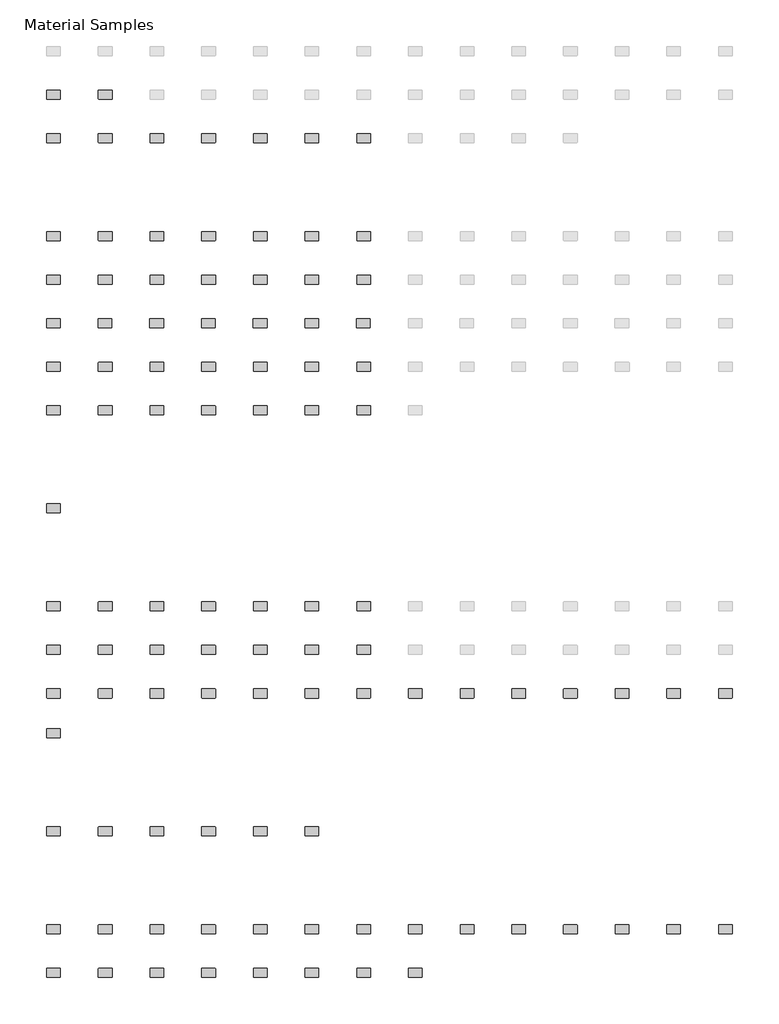
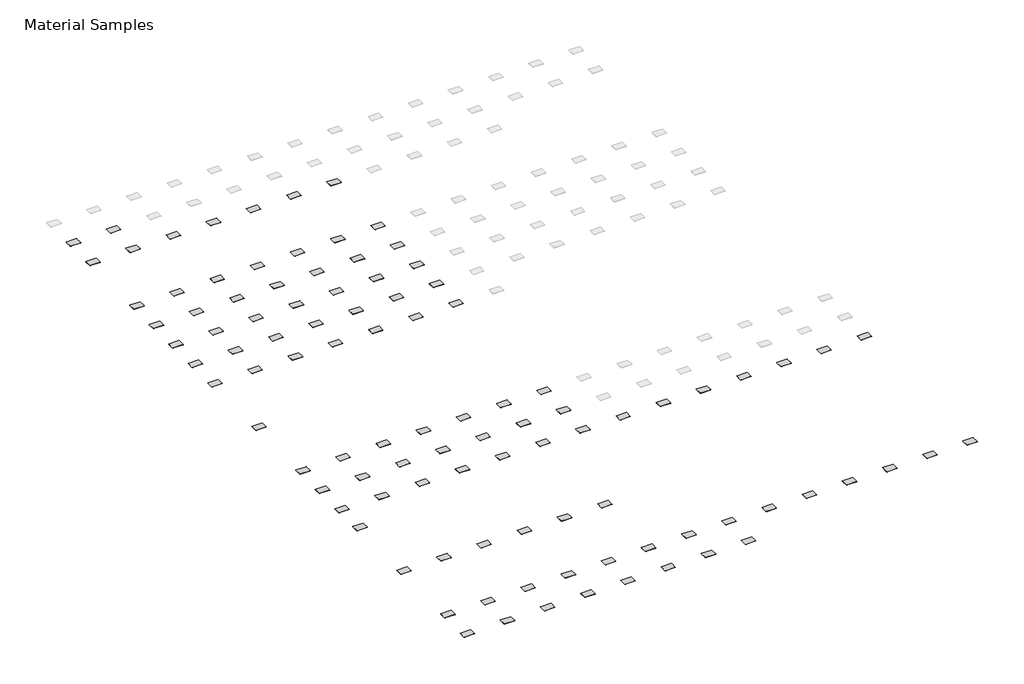
# One storey, part 1 of 3: 102 furniture elements.
"""IFC4 building model written with IfcOpenShell, lengths in millimetres."""

import ifcopenshell
import ifcopenshell.guid

model = None  # the IFC model being written
_history = None  # IfcOwnerHistory: only IFC2X3 demands one
_inside = {}  # id of a spatial element -> (the spatial element, [elements in it])
_under = {}  # id of a project, library or spatial element -> (it, [spatial elements below it])
_declared = {}  # id of a project -> (the project, [libraries it declares])
_typed = {}  # id of a type object -> (the type object, [elements of that type])
_made_of = {}  # id of a material, layer set ... -> (it, [elements and type objects made of it])


def new_model(schema):
    """Start an empty IFC model of exactly this schema.

    Asked for "IFC4X3", IfcOpenShell would pick the latest addendum, in which some entities
    have other attributes; the version numbers below select the first issue.
    IFC2X3 requires an IfcOwnerHistory on every rooted entity: one is made here for all.
    """
    global model, _history
    if schema == "IFC4X3":
        model = ifcopenshell.file(schema_version=(4, 3, 0, 0))
    else:
        model = ifcopenshell.file(schema=schema)
    _inside.clear()
    _under.clear()
    _declared.clear()
    _typed.clear()
    _made_of.clear()
    _history = None
    if model.schema == "IFC2X3":
        org = make("IfcOrganization", Name="unknown")
        user = make(
            "IfcPersonAndOrganization",
            ThePerson=make("IfcPerson", FamilyName="unknown"),
            TheOrganization=org,
        )
        app = make(
            "IfcApplication",
            ApplicationDeveloper=org,
            Version="unknown",
            ApplicationFullName="unknown",
            ApplicationIdentifier="unknown",
        )
        _history = make(
            "IfcOwnerHistory",
            OwningUser=user,
            OwningApplication=app,
            ChangeAction="ADDED",
            CreationDate=0,
        )
    return model


def make(cls, **values):
    """One entity of the class cls with the attributes given. An attribute that is None is left unset."""
    return model.create_entity(
        cls, **{name: value for name, value in values.items() if value is not None}
    )


def rooted(cls, **values):
    """An entity with a GlobalId (a new one), such as an element, a storey or a relation."""
    return make(cls, GlobalId=ifcopenshell.guid.new(), OwnerHistory=_history, **values)


def si_unit(unit_type, name, prefix=None):
    """IfcSIUnit, for example si_unit("LENGTHUNIT", "METRE", prefix="MILLI")."""
    return make("IfcSIUnit", UnitType=unit_type, Prefix=prefix, Name=name)


def assignment(units):
    """IfcUnitAssignment: the units of a project."""
    return None if units is None else make("IfcUnitAssignment", Units=units)


def point(xyz):
    """IfcCartesianPoint."""
    return None if xyz is None else make("IfcCartesianPoint", Coordinates=xyz)


def direction(xyz):
    """IfcDirection."""
    return None if xyz is None else make("IfcDirection", DirectionRatios=xyz)


def frame(location, z_axis=None, x_axis=None):
    """IfcAxis2Placement3D, a coordinate frame: its origin and axes. An axis left out is left unset."""
    return make(
        "IfcAxis2Placement3D",
        Location=point(location),
        Axis=direction(z_axis),
        RefDirection=direction(x_axis),
    )


def frame_2d(location, x_axis=None):
    """IfcAxis2Placement2D, a coordinate frame in the plane: its origin and x axis."""
    return make(
        "IfcAxis2Placement2D", Location=point(location), RefDirection=direction(x_axis)
    )


def origin():
    """The frame at (0, 0, 0) with its axes left unset."""
    return frame((0.0, 0.0, 0.0))


def place(relative_to, where):
    """IfcLocalPlacement: puts the frame where relative to a parent placement (None: the world)."""
    return make(
        "IfcLocalPlacement", PlacementRelTo=relative_to, RelativePlacement=where
    )


def context(
    kind, dimensions, precision=None, world=None, true_north=None, identifier=None
):
    """IfcGeometricRepresentationContext, for example the 3D "Model" context."""
    return make(
        "IfcGeometricRepresentationContext",
        ContextIdentifier=identifier,
        ContextType=kind,
        CoordinateSpaceDimension=dimensions,
        Precision=precision,
        WorldCoordinateSystem=world,
        TrueNorth=true_north,
    )


def project(units=None, contexts=None):
    """IfcProject with its units and contexts."""
    return rooted(
        "IfcProject",
        Name="project",
        RepresentationContexts=contexts,
        UnitsInContext=assignment(units),
    )


def spatial(cls, under=None, at=None, **own):
    """A site, building, storey or space (cls), placed at a placement, below another one or the project."""
    s = rooted(cls, ObjectPlacement=at, **own)
    if under is not None:
        _under.setdefault(under.id(), (under, []))[1].append(s)
    return s


def polyline(points):
    """IfcPolyline through the points."""
    return make("IfcPolyline", Points=[point(p) for p in points])


def circle_curve(where, radius):
    """IfcCircle in the frame where."""
    return make("IfcCircle", Position=where, Radius=radius)


def trimmed(basis, trim1, trim2, sense, master):
    """IfcTrimmedCurve: the piece of a basis curve between two trims."""
    return make(
        "IfcTrimmedCurve",
        BasisCurve=basis,
        Trim1=trim1,
        Trim2=trim2,
        SenseAgreement=sense,
        MasterRepresentation=master,
    )


def segment(curve, same_sense, transition):
    """IfcCompositeCurveSegment."""
    return make(
        "IfcCompositeCurveSegment",
        Transition=transition,
        SameSense=same_sense,
        ParentCurve=curve,
    )


def composite_curve(segments, self_intersect=None):
    """IfcCompositeCurve: segments joined end to end."""
    return make("IfcCompositeCurve", Segments=segments, SelfIntersect=self_intersect)


def outline(outer, holes=None, kind="AREA"):
    """IfcArbitraryClosedProfileDef: a profile drawn as a closed curve; with holes, ...WithVoids."""
    if holes is None:
        return make("IfcArbitraryClosedProfileDef", ProfileType=kind, OuterCurve=outer)
    return make(
        "IfcArbitraryProfileDefWithVoids",
        ProfileType=kind,
        OuterCurve=outer,
        InnerCurves=holes,
    )


def extrude(swept, where, along, depth):
    """IfcExtrudedAreaSolid: the profile swept, set in the frame where, extruded along a direction by depth."""
    return make(
        "IfcExtrudedAreaSolid",
        SweptArea=swept,
        Position=where,
        ExtrudedDirection=direction(along),
        Depth=depth,
    )


def shape(context_of_items, identifier, shape_type, items):
    """IfcShapeRepresentation: the items that make up one representation, for example the "Body"."""
    return make(
        "IfcShapeRepresentation",
        ContextOfItems=context_of_items,
        RepresentationIdentifier=identifier,
        RepresentationType=shape_type,
        Items=items,
    )


def source(mapping_origin, context_of_items, identifier, shape_type, items):
    """IfcRepresentationMap: a shape defined once, which mapped items show again and again."""
    return make(
        "IfcRepresentationMap",
        MappingOrigin=mapping_origin,
        MappedRepresentation=shape(context_of_items, identifier, shape_type, items),
    )


def transform(
    local_origin,
    x_axis=None,
    y_axis=None,
    z_axis=None,
    scale=None,
    scale2=None,
    scale3=None,
    uniform=True,
):
    """IfcCartesianTransformationOperator3D, or its non-uniform kind. x_axis, y_axis, z_axis: its Axis1, 2, 3."""
    if uniform:
        return make(
            "IfcCartesianTransformationOperator3D",
            Axis1=direction(x_axis),
            Axis2=direction(y_axis),
            LocalOrigin=point(local_origin),
            Scale=scale,
            Axis3=direction(z_axis),
        )
    return make(
        "IfcCartesianTransformationOperator3DnonUniform",
        Axis1=direction(x_axis),
        Axis2=direction(y_axis),
        LocalOrigin=point(local_origin),
        Scale=scale,
        Axis3=direction(z_axis),
        Scale2=scale2,
        Scale3=scale3,
    )


def mapped(mapping_source, mapping_target):
    """IfcMappedItem: shows the shape of a source again, moved by a transform."""
    return make(
        "IfcMappedItem", MappingSource=mapping_source, MappingTarget=mapping_target
    )


def made_of(thing, what):
    """Note that an element or type object is made of a material, layer set ...; save() writes the relation."""
    if what is not None:
        _made_of.setdefault(what.id(), (what, []))[1].append(thing)
    return thing


def element(
    cls,
    number,
    at=None,
    inside=None,
    cuts=None,
    type_object=None,
    material=None,
    context=None,
    identifier="Body",
    shape_type=None,
    held_by="IfcProductDefinitionShape",
    body=None,
    shapes=None,
    **own,
):
    """One element of the class cls, such as IfcWall. Its Tag is "e" and its number.

    at: its placement. inside: the storey or other place that contains it. cuts: it is an
    opening in that element (IfcRelVoidsElement). A single representation is given by context,
    identifier, shape_type and body (its items); several are given by shapes. held_by: the class
    of the entity that holds the representations. save() writes the other relations.
    """
    e = rooted(cls, Tag="e%d" % number, ObjectPlacement=at, **own)
    if body is not None:
        shapes = [shape(context, identifier, shape_type, body)]
    if shapes is not None:
        e.Representation = make(held_by, Representations=shapes)
    if inside is not None:
        _inside.setdefault(inside.id(), (inside, []))[1].append(e)
    if cuts is not None:
        rooted(
            "IfcRelVoidsElement", RelatingBuildingElement=cuts, RelatedOpeningElement=e
        )
    if type_object is not None:
        _typed.setdefault(type_object.id(), (type_object, []))[1].append(e)
    return made_of(e, material)


def aggregate(whole, parts):
    """IfcRelAggregates: a whole, such as a stair, and the parts it consists of."""
    return rooted("IfcRelAggregates", RelatingObject=whole, RelatedObjects=parts)


def save(model, path):
    """Write the relations noted so far, then the file.

    IfcRelAggregates (storeys below a building ...), IfcRelContainedInSpatialStructure (elements
    in a storey), IfcRelDefinesByType, IfcRelAssociatesMaterial and IfcRelDeclares: one each for
    every whole, place, type object, material and project.
    """
    for whole, parts in _under.values():
        aggregate(whole, parts)
    for where, things in _inside.values():
        rooted(
            "IfcRelContainedInSpatialStructure",
            RelatedElements=things,
            RelatingStructure=where,
        )
    for kind, things in _typed.values():
        rooted("IfcRelDefinesByType", RelatedObjects=things, RelatingType=kind)
    for what, things in _made_of.values():
        rooted("IfcRelAssociatesMaterial", RelatedObjects=things, RelatingMaterial=what)
    for by, libraries in _declared.values():
        rooted("IfcRelDeclares", RelatingContext=by, RelatedDefinitions=libraries)
    model.write(path)


def furniture_2008_material_sample1_2x3x1_8_96bf408c(model_context):
    return source(origin(), model_context, "Body", "SweptSolid", [
        extrude(outline(composite_curve([segment(trimmed(circle_curve(frame_2d((21215.2392185, 10811.8982463)), 6.35), [point((21215.2392185, 10818.2482463))], [point((21221.5892185, 10811.8982463))], False, "CARTESIAN"), True, "CONTINUOUS"), segment(polyline([(21221.5892185, 10811.8982463), (21221.5892185, 10570.5982463)]), True, "CONTINUOUS"), segment(trimmed(circle_curve(frame_2d((21215.2392185, 10570.5982463)), 6.35), [point((21221.5892185, 10570.5982463))], [point((21215.2392185, 10564.2482463))], False, "CARTESIAN"), True, "CONTINUOUS"), segment(polyline([(21215.2392185, 10564.2482463), (20846.9392185, 10564.2482463)]), True, "CONTINUOUS"), segment(trimmed(circle_curve(frame_2d((20846.9392185, 10570.5982463)), 6.35), [point((20846.9392185, 10564.2482463))], [point((20840.5892185, 10570.5982463))], False, "CARTESIAN"), True, "CONTINUOUS"), segment(polyline([(20840.5892185, 10570.5982463), (20840.5892185, 10811.8982463)]), True, "CONTINUOUS"), segment(trimmed(circle_curve(frame_2d((20846.9392185, 10811.8982463)), 6.35), [point((20840.5892185, 10811.8982463))], [point((20846.9392185, 10818.2482463))], False, "CARTESIAN"), True, "CONTINUOUS"), segment(polyline([(20846.9392185, 10818.2482463), (21215.2392185, 10818.2482463)]), True, "CONTINUOUS")], self_intersect=False)), frame((0.0, 0.0, -3.175), z_axis=(0.0, 0.0, 1.0), x_axis=(1.0, 0.0, 0.0)), (0.0, 0.0, 1.0), 3.175),
    ])


model = new_model("IFC4")

# Units and contexts
model_context = context("Model", 3, world=origin())
ifc_project = project(units=[si_unit("LENGTHUNIT", "METRE", prefix="MILLI")], contexts=[model_context])

# Site, building, storey
site = spatial("IfcSite", under=ifc_project)
building = spatial("IfcBuilding", under=site)
storey = spatial("IfcBuildingStorey", under=building, Name="Material Samples", Elevation=0.0)

# Furniture
placement = place(None, origin())
furniture_2008_material_sample1_2x3x1_8_shape = furniture_2008_material_sample1_2x3x1_8_96bf408c(model_context)
element("IfcFurniture", 1, ObjectType="2008_Material Sample3 : 2x3x1/8", at=placement, inside=storey, context=model_context, shape_type="MappedRepresentation", body=[
    mapped(furniture_2008_material_sample1_2x3x1_8_shape, transform((-41929.8143121, -15659.0275291, 25.4), x_axis=(1.0, 0.0, 0.0), y_axis=(0.0, 1.0, 0.0), z_axis=(0.0, 0.0, 1.0))),
])
element("IfcFurniture", 2, ObjectType="2008_Material Sample3 : 2x3x1/8", at=placement, inside=storey, context=model_context, shape_type="MappedRepresentation", body=[
    mapped(furniture_2008_material_sample1_2x3x1_8_shape, transform((-40482.0143121, -15659.0275291, 25.4), x_axis=(1.0, 0.0, 0.0), y_axis=(0.0, 1.0, 0.0), z_axis=(0.0, 0.0, 1.0))),
])
element("IfcFurniture", 3, ObjectType="2008_Material Sample3 : 2x3x1/8", at=placement, inside=storey, context=model_context, shape_type="MappedRepresentation", body=[
    mapped(furniture_2008_material_sample1_2x3x1_8_shape, transform((-41929.8143121, -16878.2275291, 25.4), x_axis=(1.0, 0.0, 0.0), y_axis=(0.0, 1.0, 0.0), z_axis=(0.0, 0.0, 1.0))),
])
element("IfcFurniture", 4, ObjectType="2008_Material Sample3 : 2x3x1/8", at=placement, inside=storey, context=model_context, shape_type="MappedRepresentation", body=[
    mapped(furniture_2008_material_sample1_2x3x1_8_shape, transform((-40482.0143121, -16878.2275291, 25.4), x_axis=(1.0, 0.0, 0.0), y_axis=(0.0, 1.0, 0.0), z_axis=(0.0, 0.0, 1.0))),
])
element("IfcFurniture", 5, ObjectType="2008_Material Sample3 : 2x3x1/8", at=placement, inside=storey, context=model_context, shape_type="MappedRepresentation", body=[
    mapped(furniture_2008_material_sample1_2x3x1_8_shape, transform((-39034.2143121, -16878.2275291, 25.4), x_axis=(1.0, 0.0, 0.0), y_axis=(0.0, 1.0, 0.0), z_axis=(0.0, 0.0, 1.0))),
])
element("IfcFurniture", 6, ObjectType="2008_Material Sample3 : 2x3x1/8", at=placement, inside=storey, context=model_context, shape_type="MappedRepresentation", body=[
    mapped(furniture_2008_material_sample1_2x3x1_8_shape, transform((-37586.4143121, -16878.2275291, 25.4), x_axis=(1.0, 0.0, 0.0), y_axis=(0.0, 1.0, 0.0), z_axis=(0.0, 0.0, 1.0))),
])
element("IfcFurniture", 7, ObjectType="2008_Material Sample3 : 2x3x1/8", at=placement, inside=storey, context=model_context, shape_type="MappedRepresentation", body=[
    mapped(furniture_2008_material_sample1_2x3x1_8_shape, transform((-36138.6143121, -16878.2275291, 25.4), x_axis=(1.0, 0.0, 0.0), y_axis=(0.0, 1.0, 0.0), z_axis=(0.0, 0.0, 1.0))),
])
element("IfcFurniture", 8, ObjectType="2008_Material Sample3 : 2x3x1/8", at=placement, inside=storey, context=model_context, shape_type="MappedRepresentation", body=[
    mapped(furniture_2008_material_sample1_2x3x1_8_shape, transform((-34690.8143121, -16878.2275291, 25.4), x_axis=(1.0, 0.0, 0.0), y_axis=(0.0, 1.0, 0.0), z_axis=(0.0, 0.0, 1.0))),
])
element("IfcFurniture", 9, ObjectType="2008_Material Sample3 : 2x3x1/8", at=placement, inside=storey, context=model_context, shape_type="MappedRepresentation", body=[
    mapped(furniture_2008_material_sample1_2x3x1_8_shape, transform((-33243.0143121, -16878.2275291, 25.4), x_axis=(1.0, 0.0, 0.0), y_axis=(0.0, 1.0, 0.0), z_axis=(0.0, 0.0, 1.0))),
])
element("IfcFurniture", 10, ObjectType="2008_Material Sample3 : 2x3x1/8", at=placement, inside=storey, context=model_context, shape_type="MappedRepresentation", body=[
    mapped(furniture_2008_material_sample1_2x3x1_8_shape, transform((-41929.8143121, -19621.4275291, 25.4), x_axis=(1.0, 0.0, 0.0), y_axis=(0.0, 1.0, 0.0), z_axis=(0.0, 0.0, 1.0))),
])
element("IfcFurniture", 11, ObjectType="2008_Material Sample3 : 2x3x1/8", at=placement, inside=storey, context=model_context, shape_type="MappedRepresentation", body=[
    mapped(furniture_2008_material_sample1_2x3x1_8_shape, transform((-40482.0143121, -19621.4275291, 25.4), x_axis=(1.0, 0.0, 0.0), y_axis=(0.0, 1.0, 0.0), z_axis=(0.0, 0.0, 1.0))),
])
element("IfcFurniture", 12, ObjectType="2008_Material Sample3 : 2x3x1/8", at=placement, inside=storey, context=model_context, shape_type="MappedRepresentation", body=[
    mapped(furniture_2008_material_sample1_2x3x1_8_shape, transform((-39034.2143121, -19621.4275291, 25.4), x_axis=(1.0, 0.0, 0.0), y_axis=(0.0, 1.0, 0.0), z_axis=(0.0, 0.0, 1.0))),
])
element("IfcFurniture", 13, ObjectType="2008_Material Sample3 : 2x3x1/8", at=placement, inside=storey, context=model_context, shape_type="MappedRepresentation", body=[
    mapped(furniture_2008_material_sample1_2x3x1_8_shape, transform((-37586.4143121, -19621.4275291, 25.4), x_axis=(1.0, 0.0, 0.0), y_axis=(0.0, 1.0, 0.0), z_axis=(0.0, 0.0, 1.0))),
])
element("IfcFurniture", 14, ObjectType="2008_Material Sample3 : 2x3x1/8", at=placement, inside=storey, context=model_context, shape_type="MappedRepresentation", body=[
    mapped(furniture_2008_material_sample1_2x3x1_8_shape, transform((-36138.6143121, -19621.4275291, 25.4), x_axis=(1.0, 0.0, 0.0), y_axis=(0.0, 1.0, 0.0), z_axis=(0.0, 0.0, 1.0))),
])
element("IfcFurniture", 15, ObjectType="2008_Material Sample3 : 2x3x1/8", at=placement, inside=storey, context=model_context, shape_type="MappedRepresentation", body=[
    mapped(furniture_2008_material_sample1_2x3x1_8_shape, transform((-34690.8143121, -19621.4275291, 25.4), x_axis=(1.0, 0.0, 0.0), y_axis=(0.0, 1.0, 0.0), z_axis=(0.0, 0.0, 1.0))),
])
element("IfcFurniture", 16, ObjectType="2008_Material Sample3 : 2x3x1/8", at=placement, inside=storey, context=model_context, shape_type="MappedRepresentation", body=[
    mapped(furniture_2008_material_sample1_2x3x1_8_shape, transform((-33243.0143121, -19621.4275291, 25.4), x_axis=(1.0, 0.0, 0.0), y_axis=(0.0, 1.0, 0.0), z_axis=(0.0, 0.0, 1.0))),
])
element("IfcFurniture", 17, ObjectType="2008_Material Sample3 : 2x3x1/8", at=placement, inside=storey, context=model_context, shape_type="MappedRepresentation", body=[
    mapped(furniture_2008_material_sample1_2x3x1_8_shape, transform((-41929.8143121, -20840.6275291, 25.4), x_axis=(1.0, 0.0, 0.0), y_axis=(0.0, 1.0, 0.0), z_axis=(0.0, 0.0, 1.0))),
])
element("IfcFurniture", 18, ObjectType="2008_Material Sample3 : 2x3x1/8", at=placement, inside=storey, context=model_context, shape_type="MappedRepresentation", body=[
    mapped(furniture_2008_material_sample1_2x3x1_8_shape, transform((-40482.0143121, -20840.6275291, 25.4), x_axis=(1.0, 0.0, 0.0), y_axis=(0.0, 1.0, 0.0), z_axis=(0.0, 0.0, 1.0))),
])
element("IfcFurniture", 19, ObjectType="2008_Material Sample3 : 2x3x1/8", at=placement, inside=storey, context=model_context, shape_type="MappedRepresentation", body=[
    mapped(furniture_2008_material_sample1_2x3x1_8_shape, transform((-39034.2143121, -20840.6275291, 25.4), x_axis=(1.0, 0.0, 0.0), y_axis=(0.0, 1.0, 0.0), z_axis=(0.0, 0.0, 1.0))),
])
element("IfcFurniture", 20, ObjectType="2008_Material Sample3 : 2x3x1/8", at=placement, inside=storey, context=model_context, shape_type="MappedRepresentation", body=[
    mapped(furniture_2008_material_sample1_2x3x1_8_shape, transform((-37586.4143121, -20840.6275291, 25.4), x_axis=(1.0, 0.0, 0.0), y_axis=(0.0, 1.0, 0.0), z_axis=(0.0, 0.0, 1.0))),
])
element("IfcFurniture", 21, ObjectType="2008_Material Sample3 : 2x3x1/8", at=placement, inside=storey, context=model_context, shape_type="MappedRepresentation", body=[
    mapped(furniture_2008_material_sample1_2x3x1_8_shape, transform((-36138.6143121, -20840.6275291, 25.4), x_axis=(1.0, 0.0, 0.0), y_axis=(0.0, 1.0, 0.0), z_axis=(0.0, 0.0, 1.0))),
])
element("IfcFurniture", 22, ObjectType="2008_Material Sample3 : 2x3x1/8", at=placement, inside=storey, context=model_context, shape_type="MappedRepresentation", body=[
    mapped(furniture_2008_material_sample1_2x3x1_8_shape, transform((-34690.8143121, -20840.6275291, 25.4), x_axis=(1.0, 0.0, 0.0), y_axis=(0.0, 1.0, 0.0), z_axis=(0.0, 0.0, 1.0))),
])
element("IfcFurniture", 23, ObjectType="2008_Material Sample3 : 2x3x1/8", at=placement, inside=storey, context=model_context, shape_type="MappedRepresentation", body=[
    mapped(furniture_2008_material_sample1_2x3x1_8_shape, transform((-33243.0143121, -20840.6275291, 25.4), x_axis=(1.0, 0.0, 0.0), y_axis=(0.0, 1.0, 0.0), z_axis=(0.0, 0.0, 1.0))),
])
element("IfcFurniture", 24, ObjectType="2008_Material Sample3 : 2x3x1/8", at=placement, inside=storey, context=model_context, shape_type="MappedRepresentation", body=[
    mapped(furniture_2008_material_sample1_2x3x1_8_shape, transform((-41936.1643121, -22059.8275291, 25.4), x_axis=(1.0, 0.0, 0.0), y_axis=(0.0, 1.0, 0.0), z_axis=(0.0, 0.0, 1.0))),
])
element("IfcFurniture", 25, ObjectType="2008_Material Sample3 : 2x3x1/8", at=placement, inside=storey, context=model_context, shape_type="MappedRepresentation", body=[
    mapped(furniture_2008_material_sample1_2x3x1_8_shape, transform((-40488.3643121, -22059.8275291, 25.4), x_axis=(1.0, 0.0, 0.0), y_axis=(0.0, 1.0, 0.0), z_axis=(0.0, 0.0, 1.0))),
])
element("IfcFurniture", 26, ObjectType="2008_Material Sample3 : 2x3x1/8", at=placement, inside=storey, context=model_context, shape_type="MappedRepresentation", body=[
    mapped(furniture_2008_material_sample1_2x3x1_8_shape, transform((-39040.5643121, -22059.8275291, 25.4), x_axis=(1.0, 0.0, 0.0), y_axis=(0.0, 1.0, 0.0), z_axis=(0.0, 0.0, 1.0))),
])
element("IfcFurniture", 27, ObjectType="2008_Material Sample3 : 2x3x1/8", at=placement, inside=storey, context=model_context, shape_type="MappedRepresentation", body=[
    mapped(furniture_2008_material_sample1_2x3x1_8_shape, transform((-37592.7643121, -22059.8275291, 25.4), x_axis=(1.0, 0.0, 0.0), y_axis=(0.0, 1.0, 0.0), z_axis=(0.0, 0.0, 1.0))),
])
element("IfcFurniture", 28, ObjectType="2008_Material Sample3 : 2x3x1/8", at=placement, inside=storey, context=model_context, shape_type="MappedRepresentation", body=[
    mapped(furniture_2008_material_sample1_2x3x1_8_shape, transform((-36144.9643121, -22059.8275291, 25.4), x_axis=(1.0, 0.0, 0.0), y_axis=(0.0, 1.0, 0.0), z_axis=(0.0, 0.0, 1.0))),
])
element("IfcFurniture", 29, ObjectType="2008_Material Sample3 : 2x3x1/8", at=placement, inside=storey, context=model_context, shape_type="MappedRepresentation", body=[
    mapped(furniture_2008_material_sample1_2x3x1_8_shape, transform((-34697.1643121, -22059.8275291, 25.4), x_axis=(1.0, 0.0, 0.0), y_axis=(0.0, 1.0, 0.0), z_axis=(0.0, 0.0, 1.0))),
])
element("IfcFurniture", 30, ObjectType="2008_Material Sample3 : 2x3x1/8", at=placement, inside=storey, context=model_context, shape_type="MappedRepresentation", body=[
    mapped(furniture_2008_material_sample1_2x3x1_8_shape, transform((-33249.3643121, -22059.8275291, 25.4), x_axis=(1.0, 0.0, 0.0), y_axis=(0.0, 1.0, 0.0), z_axis=(0.0, 0.0, 1.0))),
])
element("IfcFurniture", 31, ObjectType="2008_Material Sample3 : 2x3x1/8", at=placement, inside=storey, context=model_context, shape_type="MappedRepresentation", body=[
    mapped(furniture_2008_material_sample1_2x3x1_8_shape, transform((-41936.2750935, -23279.0275291, 25.4), x_axis=(1.0, 0.0, 0.0), y_axis=(0.0, 1.0, 0.0), z_axis=(0.0, 0.0, 1.0))),
])
element("IfcFurniture", 32, ObjectType="2008_Material Sample3 : 2x3x1/8", at=placement, inside=storey, context=model_context, shape_type="MappedRepresentation", body=[
    mapped(furniture_2008_material_sample1_2x3x1_8_shape, transform((-40482.0143121, -23279.0275291, 25.4), x_axis=(1.0, 0.0, 0.0), y_axis=(0.0, 1.0, 0.0), z_axis=(0.0, 0.0, 1.0))),
])
element("IfcFurniture", 33, ObjectType="2008_Material Sample3 : 2x3x1/8", at=placement, inside=storey, context=model_context, shape_type="MappedRepresentation", body=[
    mapped(furniture_2008_material_sample1_2x3x1_8_shape, transform((-39034.2143121, -23279.0275291, 25.4), x_axis=(1.0, 0.0, 0.0), y_axis=(0.0, 1.0, 0.0), z_axis=(0.0, 0.0, 1.0))),
])
element("IfcFurniture", 34, ObjectType="2008_Material Sample3 : 2x3x1/8", at=placement, inside=storey, context=model_context, shape_type="MappedRepresentation", body=[
    mapped(furniture_2008_material_sample1_2x3x1_8_shape, transform((-37586.4143121, -23279.0275291, 25.4), x_axis=(1.0, 0.0, 0.0), y_axis=(0.0, 1.0, 0.0), z_axis=(0.0, 0.0, 1.0))),
])
element("IfcFurniture", 35, ObjectType="2008_Material Sample3 : 2x3x1/8", at=placement, inside=storey, context=model_context, shape_type="MappedRepresentation", body=[
    mapped(furniture_2008_material_sample1_2x3x1_8_shape, transform((-36138.6143121, -23279.0275291, 25.4), x_axis=(1.0, 0.0, 0.0), y_axis=(0.0, 1.0, 0.0), z_axis=(0.0, 0.0, 1.0))),
])
element("IfcFurniture", 36, ObjectType="2008_Material Sample3 : 2x3x1/8", at=placement, inside=storey, context=model_context, shape_type="MappedRepresentation", body=[
    mapped(furniture_2008_material_sample1_2x3x1_8_shape, transform((-34690.8143121, -23279.0275291, 25.4), x_axis=(1.0, 0.0, 0.0), y_axis=(0.0, 1.0, 0.0), z_axis=(0.0, 0.0, 1.0))),
])
element("IfcFurniture", 37, ObjectType="2008_Material Sample3 : 2x3x1/8", at=placement, inside=storey, context=model_context, shape_type="MappedRepresentation", body=[
    mapped(furniture_2008_material_sample1_2x3x1_8_shape, transform((-33243.0143121, -23279.0275291, 25.4), x_axis=(1.0, 0.0, 0.0), y_axis=(0.0, 1.0, 0.0), z_axis=(0.0, 0.0, 1.0))),
])
element("IfcFurniture", 38, ObjectType="2008_Material Sample3 : 2x3x1/8", at=placement, inside=storey, context=model_context, shape_type="MappedRepresentation", body=[
    mapped(furniture_2008_material_sample1_2x3x1_8_shape, transform((-41929.8143121, -24498.2275291, 25.4), x_axis=(1.0, 0.0, 0.0), y_axis=(0.0, 1.0, 0.0), z_axis=(0.0, 0.0, 1.0))),
])
element("IfcFurniture", 39, ObjectType="2008_Material Sample3 : 2x3x1/8", at=placement, inside=storey, context=model_context, shape_type="MappedRepresentation", body=[
    mapped(furniture_2008_material_sample1_2x3x1_8_shape, transform((-40482.0143121, -24498.2275291, 25.4), x_axis=(1.0, 0.0, 0.0), y_axis=(0.0, 1.0, 0.0), z_axis=(0.0, 0.0, 1.0))),
])
element("IfcFurniture", 40, ObjectType="2008_Material Sample3 : 2x3x1/8", at=placement, inside=storey, context=model_context, shape_type="MappedRepresentation", body=[
    mapped(furniture_2008_material_sample1_2x3x1_8_shape, transform((-39034.2143121, -24498.2275291, 25.4), x_axis=(1.0, 0.0, 0.0), y_axis=(0.0, 1.0, 0.0), z_axis=(0.0, 0.0, 1.0))),
])
element("IfcFurniture", 41, ObjectType="2008_Material Sample3 : 2x3x1/8", at=placement, inside=storey, context=model_context, shape_type="MappedRepresentation", body=[
    mapped(furniture_2008_material_sample1_2x3x1_8_shape, transform((-37586.4143121, -24498.2275291, 25.4), x_axis=(1.0, 0.0, 0.0), y_axis=(0.0, 1.0, 0.0), z_axis=(0.0, 0.0, 1.0))),
])
element("IfcFurniture", 42, ObjectType="2008_Material Sample3 : 2x3x1/8", at=placement, inside=storey, context=model_context, shape_type="MappedRepresentation", body=[
    mapped(furniture_2008_material_sample1_2x3x1_8_shape, transform((-36138.6143121, -24498.2275291, 25.4), x_axis=(1.0, 0.0, 0.0), y_axis=(0.0, 1.0, 0.0), z_axis=(0.0, 0.0, 1.0))),
])
element("IfcFurniture", 43, ObjectType="2008_Material Sample3 : 2x3x1/8", at=placement, inside=storey, context=model_context, shape_type="MappedRepresentation", body=[
    mapped(furniture_2008_material_sample1_2x3x1_8_shape, transform((-34690.8143121, -24498.2275291, 25.4), x_axis=(1.0, 0.0, 0.0), y_axis=(0.0, 1.0, 0.0), z_axis=(0.0, 0.0, 1.0))),
])
element("IfcFurniture", 44, ObjectType="2008_Material Sample3 : 2x3x1/8", at=placement, inside=storey, context=model_context, shape_type="MappedRepresentation", body=[
    mapped(furniture_2008_material_sample1_2x3x1_8_shape, transform((-33243.0143121, -24498.2275291, 25.4), x_axis=(1.0, 0.0, 0.0), y_axis=(0.0, 1.0, 0.0), z_axis=(0.0, 0.0, 1.0))),
])
element("IfcFurniture", 45, ObjectType="2008_Material Sample3 : 2x3x1/8", at=placement, inside=storey, context=model_context, shape_type="MappedRepresentation", body=[
    mapped(furniture_2008_material_sample1_2x3x1_8_shape, transform((-41929.8143121, -29984.6275291, 25.4), x_axis=(1.0, 0.0, 0.0), y_axis=(0.0, 1.0, 0.0), z_axis=(0.0, 0.0, 1.0))),
])
element("IfcFurniture", 46, ObjectType="2008_Material Sample3 : 2x3x1/8", at=placement, inside=storey, context=model_context, shape_type="MappedRepresentation", body=[
    mapped(furniture_2008_material_sample1_2x3x1_8_shape, transform((-40482.0143121, -29984.6275291, 25.4), x_axis=(1.0, 0.0, 0.0), y_axis=(0.0, 1.0, 0.0), z_axis=(0.0, 0.0, 1.0))),
])
element("IfcFurniture", 47, ObjectType="2008_Material Sample3 : 2x3x1/8", at=placement, inside=storey, context=model_context, shape_type="MappedRepresentation", body=[
    mapped(furniture_2008_material_sample1_2x3x1_8_shape, transform((-39034.2143121, -29984.6275291, 25.4), x_axis=(1.0, 0.0, 0.0), y_axis=(0.0, 1.0, 0.0), z_axis=(0.0, 0.0, 1.0))),
])
element("IfcFurniture", 48, ObjectType="2008_Material Sample3 : 2x3x1/8", at=placement, inside=storey, context=model_context, shape_type="MappedRepresentation", body=[
    mapped(furniture_2008_material_sample1_2x3x1_8_shape, transform((-37586.4143121, -29984.6275291, 25.4), x_axis=(1.0, 0.0, 0.0), y_axis=(0.0, 1.0, 0.0), z_axis=(0.0, 0.0, 1.0))),
])
element("IfcFurniture", 49, ObjectType="2008_Material Sample3 : 2x3x1/8", at=placement, inside=storey, context=model_context, shape_type="MappedRepresentation", body=[
    mapped(furniture_2008_material_sample1_2x3x1_8_shape, transform((-36138.6143121, -29984.6275291, 25.4), x_axis=(1.0, 0.0, 0.0), y_axis=(0.0, 1.0, 0.0), z_axis=(0.0, 0.0, 1.0))),
])
element("IfcFurniture", 50, ObjectType="2008_Material Sample3 : 2x3x1/8", at=placement, inside=storey, context=model_context, shape_type="MappedRepresentation", body=[
    mapped(furniture_2008_material_sample1_2x3x1_8_shape, transform((-34690.8143121, -29984.6275291, 25.4), x_axis=(1.0, 0.0, 0.0), y_axis=(0.0, 1.0, 0.0), z_axis=(0.0, 0.0, 1.0))),
])
element("IfcFurniture", 51, ObjectType="2008_Material Sample3 : 2x3x1/8", at=placement, inside=storey, context=model_context, shape_type="MappedRepresentation", body=[
    mapped(furniture_2008_material_sample1_2x3x1_8_shape, transform((-33243.0143121, -29984.6275291, 25.4), x_axis=(1.0, 0.0, 0.0), y_axis=(0.0, 1.0, 0.0), z_axis=(0.0, 0.0, 1.0))),
])
element("IfcFurniture", 52, ObjectType="2008_Material Sample3 : 2x3x1/8", at=placement, inside=storey, context=model_context, shape_type="MappedRepresentation", body=[
    mapped(furniture_2008_material_sample1_2x3x1_8_shape, transform((-41929.8143121, -31203.8275291, 25.4), x_axis=(1.0, 0.0, 0.0), y_axis=(0.0, 1.0, 0.0), z_axis=(0.0, 0.0, 1.0))),
])
element("IfcFurniture", 53, ObjectType="2008_Material Sample3 : 2x3x1/8", at=placement, inside=storey, context=model_context, shape_type="MappedRepresentation", body=[
    mapped(furniture_2008_material_sample1_2x3x1_8_shape, transform((-40482.0143121, -31203.8275291, 25.4), x_axis=(1.0, 0.0, 0.0), y_axis=(0.0, 1.0, 0.0), z_axis=(0.0, 0.0, 1.0))),
])
element("IfcFurniture", 54, ObjectType="2008_Material Sample3 : 2x3x1/8", at=placement, inside=storey, context=model_context, shape_type="MappedRepresentation", body=[
    mapped(furniture_2008_material_sample1_2x3x1_8_shape, transform((-39034.2143121, -31203.8275291, 25.4), x_axis=(1.0, 0.0, 0.0), y_axis=(0.0, 1.0, 0.0), z_axis=(0.0, 0.0, 1.0))),
])
element("IfcFurniture", 55, ObjectType="2008_Material Sample3 : 2x3x1/8", at=placement, inside=storey, context=model_context, shape_type="MappedRepresentation", body=[
    mapped(furniture_2008_material_sample1_2x3x1_8_shape, transform((-37586.4143121, -31203.8275291, 25.4), x_axis=(1.0, 0.0, 0.0), y_axis=(0.0, 1.0, 0.0), z_axis=(0.0, 0.0, 1.0))),
])
element("IfcFurniture", 56, ObjectType="2008_Material Sample3 : 2x3x1/8", at=placement, inside=storey, context=model_context, shape_type="MappedRepresentation", body=[
    mapped(furniture_2008_material_sample1_2x3x1_8_shape, transform((-36138.6143121, -31203.8275291, 25.4), x_axis=(1.0, 0.0, 0.0), y_axis=(0.0, 1.0, 0.0), z_axis=(0.0, 0.0, 1.0))),
])
element("IfcFurniture", 57, ObjectType="2008_Material Sample3 : 2x3x1/8", at=placement, inside=storey, context=model_context, shape_type="MappedRepresentation", body=[
    mapped(furniture_2008_material_sample1_2x3x1_8_shape, transform((-34690.8143121, -31203.8275291, 25.4), x_axis=(1.0, 0.0, 0.0), y_axis=(0.0, 1.0, 0.0), z_axis=(0.0, 0.0, 1.0))),
])
element("IfcFurniture", 58, ObjectType="2008_Material Sample3 : 2x3x1/8", at=placement, inside=storey, context=model_context, shape_type="MappedRepresentation", body=[
    mapped(furniture_2008_material_sample1_2x3x1_8_shape, transform((-33243.0143121, -31203.8275291, 25.4), x_axis=(1.0, 0.0, 0.0), y_axis=(0.0, 1.0, 0.0), z_axis=(0.0, 0.0, 1.0))),
])
element("IfcFurniture", 59, ObjectType="2008_Material Sample3 : 2x3x1/8", at=placement, inside=storey, context=model_context, shape_type="MappedRepresentation", body=[
    mapped(furniture_2008_material_sample1_2x3x1_8_shape, transform((-40481.9035306, -32423.0275291, 25.4), x_axis=(1.0, 0.0, 0.0), y_axis=(0.0, 1.0, 0.0), z_axis=(0.0, 0.0, 1.0))),
])
element("IfcFurniture", 60, ObjectType="2008_Material Sample3 : 2x3x1/8", at=placement, inside=storey, context=model_context, shape_type="MappedRepresentation", body=[
    mapped(furniture_2008_material_sample1_2x3x1_8_shape, transform((-39034.1035306, -32423.0275291, 25.4), x_axis=(1.0, 0.0, 0.0), y_axis=(0.0, 1.0, 0.0), z_axis=(0.0, 0.0, 1.0))),
])
element("IfcFurniture", 61, ObjectType="2008_Material Sample3 : 2x3x1/8", at=placement, inside=storey, context=model_context, shape_type="MappedRepresentation", body=[
    mapped(furniture_2008_material_sample1_2x3x1_8_shape, transform((-37586.3035306, -32423.0275291, 25.4), x_axis=(1.0, 0.0, 0.0), y_axis=(0.0, 1.0, 0.0), z_axis=(0.0, 0.0, 1.0))),
])
element("IfcFurniture", 62, ObjectType="2008_Material Sample3 : 2x3x1/8", at=placement, inside=storey, context=model_context, shape_type="MappedRepresentation", body=[
    mapped(furniture_2008_material_sample1_2x3x1_8_shape, transform((-36138.5035306, -32423.0275291, 25.4), x_axis=(1.0, 0.0, 0.0), y_axis=(0.0, 1.0, 0.0), z_axis=(0.0, 0.0, 1.0))),
])
element("IfcFurniture", 63, ObjectType="2008_Material Sample3 : 2x3x1/8", at=placement, inside=storey, context=model_context, shape_type="MappedRepresentation", body=[
    mapped(furniture_2008_material_sample1_2x3x1_8_shape, transform((-34690.7035306, -32423.0275291, 25.4), x_axis=(1.0, 0.0, 0.0), y_axis=(0.0, 1.0, 0.0), z_axis=(0.0, 0.0, 1.0))),
])
element("IfcFurniture", 64, ObjectType="2008_Material Sample3 : 2x3x1/8", at=placement, inside=storey, context=model_context, shape_type="MappedRepresentation", body=[
    mapped(furniture_2008_material_sample1_2x3x1_8_shape, transform((-33242.9035306, -32423.0275291, 25.4), x_axis=(1.0, 0.0, 0.0), y_axis=(0.0, 1.0, 0.0), z_axis=(0.0, 0.0, 1.0))),
])
element("IfcFurniture", 65, ObjectType="2008_Material Sample3 : 2x3x1/8", at=placement, inside=storey, context=model_context, shape_type="MappedRepresentation", body=[
    mapped(furniture_2008_material_sample1_2x3x1_8_shape, transform((-31795.1035306, -32423.0275291, 25.4), x_axis=(1.0, 0.0, 0.0), y_axis=(0.0, 1.0, 0.0), z_axis=(0.0, 0.0, 1.0))),
])
element("IfcFurniture", 66, ObjectType="2008_Material Sample3 : 2x3x1/8", at=placement, inside=storey, context=model_context, shape_type="MappedRepresentation", body=[
    mapped(furniture_2008_material_sample1_2x3x1_8_shape, transform((-30347.3035306, -32423.0275291, 25.4), x_axis=(1.0, 0.0, 0.0), y_axis=(0.0, 1.0, 0.0), z_axis=(0.0, 0.0, 1.0))),
])
element("IfcFurniture", 67, ObjectType="2008_Material Sample3 : 2x3x1/8", at=placement, inside=storey, context=model_context, shape_type="MappedRepresentation", body=[
    mapped(furniture_2008_material_sample1_2x3x1_8_shape, transform((-28899.5035306, -32423.0275291, 25.4), x_axis=(1.0, 0.0, 0.0), y_axis=(0.0, 1.0, 0.0), z_axis=(0.0, 0.0, 1.0))),
])
element("IfcFurniture", 68, ObjectType="2008_Material Sample3 : 2x3x1/8", at=placement, inside=storey, context=model_context, shape_type="MappedRepresentation", body=[
    mapped(furniture_2008_material_sample1_2x3x1_8_shape, transform((-27451.7035306, -32423.0275291, 25.4), x_axis=(1.0, 0.0, 0.0), y_axis=(0.0, 1.0, 0.0), z_axis=(0.0, 0.0, 1.0))),
])
element("IfcFurniture", 69, ObjectType="2008_Material Sample3 : 2x3x1/8", at=placement, inside=storey, context=model_context, shape_type="MappedRepresentation", body=[
    mapped(furniture_2008_material_sample1_2x3x1_8_shape, transform((-26003.9035306, -32423.0275291, 25.4), x_axis=(1.0, 0.0, 0.0), y_axis=(0.0, 1.0, 0.0), z_axis=(0.0, 0.0, 1.0))),
])
element("IfcFurniture", 70, ObjectType="2008_Material Sample3 : 2x3x1/8", at=placement, inside=storey, context=model_context, shape_type="MappedRepresentation", body=[
    mapped(furniture_2008_material_sample1_2x3x1_8_shape, transform((-24556.1035306, -32423.0275291, 25.4), x_axis=(1.0, 0.0, 0.0), y_axis=(0.0, 1.0, 0.0), z_axis=(0.0, 0.0, 1.0))),
])
element("IfcFurniture", 71, ObjectType="2008_Material Sample3 : 2x3x1/8", at=placement, inside=storey, context=model_context, shape_type="MappedRepresentation", body=[
    mapped(furniture_2008_material_sample1_2x3x1_8_shape, transform((-23108.3035306, -32423.0275291, 25.4), x_axis=(1.0, 0.0, 0.0), y_axis=(0.0, 1.0, 0.0), z_axis=(0.0, 0.0, 1.0))),
])
element("IfcFurniture", 72, ObjectType="2008_Material Sample3 : 2x3x1/8", at=placement, inside=storey, context=model_context, shape_type="MappedRepresentation", body=[
    mapped(furniture_2008_material_sample1_2x3x1_8_shape, transform((-41929.7035306, -32423.0275291, 25.4), x_axis=(1.0, 0.0, 0.0), y_axis=(0.0, 1.0, 0.0), z_axis=(0.0, 0.0, 1.0))),
])
element("IfcFurniture", 73, ObjectType="2008_Material Sample3 : 2x3x1/8", at=placement, inside=storey, context=model_context, shape_type="MappedRepresentation", body=[
    mapped(furniture_2008_material_sample1_2x3x1_8_shape, transform((-41929.8143121, -27241.4275291, 25.4), x_axis=(1.0, 0.0, 0.0), y_axis=(0.0, 1.0, 0.0), z_axis=(0.0, 0.0, 1.0))),
])
element("IfcFurniture", 74, ObjectType="2008_Material Sample4 : 2x3x1/8", at=placement, inside=storey, context=model_context, shape_type="MappedRepresentation", body=[
    mapped(furniture_2008_material_sample1_2x3x1_8_shape, transform((-41929.7035306, -33540.6275291, 25.4), x_axis=(1.0, 0.0, 0.0), y_axis=(0.0, 1.0, 0.0), z_axis=(0.0, 0.0, 1.0))),
])
element("IfcFurniture", 75, ObjectType="2008_Material Sample4 : 2x3x1/8", at=placement, inside=storey, context=model_context, shape_type="MappedRepresentation", body=[
    mapped(furniture_2008_material_sample1_2x3x1_8_shape, transform((-41929.7035306, -36283.8275291, 25.4), x_axis=(1.0, 0.0, 0.0), y_axis=(0.0, 1.0, 0.0), z_axis=(0.0, 0.0, 1.0))),
])
element("IfcFurniture", 76, ObjectType="2008_Material Sample4 : 2x3x1/8", at=placement, inside=storey, context=model_context, shape_type="MappedRepresentation", body=[
    mapped(furniture_2008_material_sample1_2x3x1_8_shape, transform((-40481.9035306, -36283.8275291, 25.4), x_axis=(1.0, 0.0, 0.0), y_axis=(0.0, 1.0, 0.0), z_axis=(0.0, 0.0, 1.0))),
])
element("IfcFurniture", 77, ObjectType="2008_Material Sample4 : 2x3x1/8", at=placement, inside=storey, context=model_context, shape_type="MappedRepresentation", body=[
    mapped(furniture_2008_material_sample1_2x3x1_8_shape, transform((-39034.1035306, -36283.8275291, 25.4), x_axis=(1.0, 0.0, 0.0), y_axis=(0.0, 1.0, 0.0), z_axis=(0.0, 0.0, 1.0))),
])
element("IfcFurniture", 78, ObjectType="2008_Material Sample4 : 2x3x1/8", at=placement, inside=storey, context=model_context, shape_type="MappedRepresentation", body=[
    mapped(furniture_2008_material_sample1_2x3x1_8_shape, transform((-37586.3035306, -36283.8275291, 25.4), x_axis=(1.0, 0.0, 0.0), y_axis=(0.0, 1.0, 0.0), z_axis=(0.0, 0.0, 1.0))),
])
element("IfcFurniture", 79, ObjectType="2008_Material Sample4 : 2x3x1/8", at=placement, inside=storey, context=model_context, shape_type="MappedRepresentation", body=[
    mapped(furniture_2008_material_sample1_2x3x1_8_shape, transform((-36138.5035306, -36283.8275291, 25.4), x_axis=(1.0, 0.0, 0.0), y_axis=(0.0, 1.0, 0.0), z_axis=(0.0, 0.0, 1.0))),
])
element("IfcFurniture", 80, ObjectType="2008_Material Sample4 : 2x3x1/8", at=placement, inside=storey, context=model_context, shape_type="MappedRepresentation", body=[
    mapped(furniture_2008_material_sample1_2x3x1_8_shape, transform((-34690.7035306, -36283.8275291, 25.4), x_axis=(1.0, 0.0, 0.0), y_axis=(0.0, 1.0, 0.0), z_axis=(0.0, 0.0, 1.0))),
])
element("IfcFurniture", 81, ObjectType="2008_Material Sample4 : 2x3x1/8", at=placement, inside=storey, context=model_context, shape_type="MappedRepresentation", body=[
    mapped(furniture_2008_material_sample1_2x3x1_8_shape, transform((-41929.7035306, -39027.0275291, 25.4), x_axis=(1.0, 0.0, 0.0), y_axis=(0.0, 1.0, 0.0), z_axis=(0.0, 0.0, 1.0))),
])
element("IfcFurniture", 82, ObjectType="2008_Material Sample4 : 2x3x1/8", at=placement, inside=storey, context=model_context, shape_type="MappedRepresentation", body=[
    mapped(furniture_2008_material_sample1_2x3x1_8_shape, transform((-40481.9035306, -39027.0275291, 25.4), x_axis=(1.0, 0.0, 0.0), y_axis=(0.0, 1.0, 0.0), z_axis=(0.0, 0.0, 1.0))),
])
element("IfcFurniture", 83, ObjectType="2008_Material Sample4 : 2x3x1/8", at=placement, inside=storey, context=model_context, shape_type="MappedRepresentation", body=[
    mapped(furniture_2008_material_sample1_2x3x1_8_shape, transform((-39034.1035306, -39027.0275291, 25.4), x_axis=(1.0, 0.0, 0.0), y_axis=(0.0, 1.0, 0.0), z_axis=(0.0, 0.0, 1.0))),
])
element("IfcFurniture", 84, ObjectType="2008_Material Sample4 : 2x3x1/8", at=placement, inside=storey, context=model_context, shape_type="MappedRepresentation", body=[
    mapped(furniture_2008_material_sample1_2x3x1_8_shape, transform((-37586.3035306, -39027.0275291, 25.4), x_axis=(1.0, 0.0, 0.0), y_axis=(0.0, 1.0, 0.0), z_axis=(0.0, 0.0, 1.0))),
])
element("IfcFurniture", 85, ObjectType="2008_Material Sample4 : 2x3x1/8", at=placement, inside=storey, context=model_context, shape_type="MappedRepresentation", body=[
    mapped(furniture_2008_material_sample1_2x3x1_8_shape, transform((-36138.5035306, -39027.0275291, 25.4), x_axis=(1.0, 0.0, 0.0), y_axis=(0.0, 1.0, 0.0), z_axis=(0.0, 0.0, 1.0))),
])
element("IfcFurniture", 86, ObjectType="2008_Material Sample4 : 2x3x1/8", at=placement, inside=storey, context=model_context, shape_type="MappedRepresentation", body=[
    mapped(furniture_2008_material_sample1_2x3x1_8_shape, transform((-34690.7035306, -39027.0275291, 25.4), x_axis=(1.0, 0.0, 0.0), y_axis=(0.0, 1.0, 0.0), z_axis=(0.0, 0.0, 1.0))),
])
element("IfcFurniture", 87, ObjectType="2008_Material Sample4 : 2x3x1/8", at=placement, inside=storey, context=model_context, shape_type="MappedRepresentation", body=[
    mapped(furniture_2008_material_sample1_2x3x1_8_shape, transform((-33242.9035306, -39027.0275291, 25.4), x_axis=(1.0, 0.0, 0.0), y_axis=(0.0, 1.0, 0.0), z_axis=(0.0, 0.0, 1.0))),
])
element("IfcFurniture", 88, ObjectType="2008_Material Sample4 : 2x3x1/8", at=placement, inside=storey, context=model_context, shape_type="MappedRepresentation", body=[
    mapped(furniture_2008_material_sample1_2x3x1_8_shape, transform((-31795.1035306, -39027.0275291, 25.4), x_axis=(1.0, 0.0, 0.0), y_axis=(0.0, 1.0, 0.0), z_axis=(0.0, 0.0, 1.0))),
])
element("IfcFurniture", 89, ObjectType="2008_Material Sample4 : 2x3x1/8", at=placement, inside=storey, context=model_context, shape_type="MappedRepresentation", body=[
    mapped(furniture_2008_material_sample1_2x3x1_8_shape, transform((-30347.3035306, -39027.0275291, 25.4), x_axis=(1.0, 0.0, 0.0), y_axis=(0.0, 1.0, 0.0), z_axis=(0.0, 0.0, 1.0))),
])
element("IfcFurniture", 90, ObjectType="2008_Material Sample4 : 2x3x1/8", at=placement, inside=storey, context=model_context, shape_type="MappedRepresentation", body=[
    mapped(furniture_2008_material_sample1_2x3x1_8_shape, transform((-28899.5035306, -39027.0275291, 25.4), x_axis=(1.0, 0.0, 0.0), y_axis=(0.0, 1.0, 0.0), z_axis=(0.0, 0.0, 1.0))),
])
element("IfcFurniture", 91, ObjectType="2008_Material Sample4 : 2x3x1/8", at=placement, inside=storey, context=model_context, shape_type="MappedRepresentation", body=[
    mapped(furniture_2008_material_sample1_2x3x1_8_shape, transform((-27451.7035306, -39027.0275291, 25.4), x_axis=(1.0, 0.0, 0.0), y_axis=(0.0, 1.0, 0.0), z_axis=(0.0, 0.0, 1.0))),
])
element("IfcFurniture", 92, ObjectType="2008_Material Sample4 : 2x3x1/8", at=placement, inside=storey, context=model_context, shape_type="MappedRepresentation", body=[
    mapped(furniture_2008_material_sample1_2x3x1_8_shape, transform((-26003.9035306, -39027.0275291, 25.4), x_axis=(1.0, 0.0, 0.0), y_axis=(0.0, 1.0, 0.0), z_axis=(0.0, 0.0, 1.0))),
])
element("IfcFurniture", 93, ObjectType="2008_Material Sample4 : 2x3x1/8", at=placement, inside=storey, context=model_context, shape_type="MappedRepresentation", body=[
    mapped(furniture_2008_material_sample1_2x3x1_8_shape, transform((-24556.1035306, -39027.0275291, 25.4), x_axis=(1.0, 0.0, 0.0), y_axis=(0.0, 1.0, 0.0), z_axis=(0.0, 0.0, 1.0))),
])
element("IfcFurniture", 94, ObjectType="2008_Material Sample4 : 2x3x1/8", at=placement, inside=storey, context=model_context, shape_type="MappedRepresentation", body=[
    mapped(furniture_2008_material_sample1_2x3x1_8_shape, transform((-23108.3035306, -39027.0275291, 25.4), x_axis=(1.0, 0.0, 0.0), y_axis=(0.0, 1.0, 0.0), z_axis=(0.0, 0.0, 1.0))),
])
element("IfcFurniture", 95, ObjectType="2008_Material Sample4 : 2x3x1/8", at=placement, inside=storey, context=model_context, shape_type="MappedRepresentation", body=[
    mapped(furniture_2008_material_sample1_2x3x1_8_shape, transform((-41929.7035306, -40246.2275291, 25.4), x_axis=(1.0, 0.0, 0.0), y_axis=(0.0, 1.0, 0.0), z_axis=(0.0, 0.0, 1.0))),
])
element("IfcFurniture", 96, ObjectType="2008_Material Sample4 : 2x3x1/8", at=placement, inside=storey, context=model_context, shape_type="MappedRepresentation", body=[
    mapped(furniture_2008_material_sample1_2x3x1_8_shape, transform((-40481.9035306, -40246.2275291, 25.4), x_axis=(1.0, 0.0, 0.0), y_axis=(0.0, 1.0, 0.0), z_axis=(0.0, 0.0, 1.0))),
])
element("IfcFurniture", 97, ObjectType="2008_Material Sample4 : 2x3x1/8", at=placement, inside=storey, context=model_context, shape_type="MappedRepresentation", body=[
    mapped(furniture_2008_material_sample1_2x3x1_8_shape, transform((-39034.1035306, -40246.2275291, 25.4), x_axis=(1.0, 0.0, 0.0), y_axis=(0.0, 1.0, 0.0), z_axis=(0.0, 0.0, 1.0))),
])
element("IfcFurniture", 98, ObjectType="2008_Material Sample4 : 2x3x1/8", at=placement, inside=storey, context=model_context, shape_type="MappedRepresentation", body=[
    mapped(furniture_2008_material_sample1_2x3x1_8_shape, transform((-37586.3035306, -40246.2275291, 25.4), x_axis=(1.0, 0.0, 0.0), y_axis=(0.0, 1.0, 0.0), z_axis=(0.0, 0.0, 1.0))),
])
element("IfcFurniture", 99, ObjectType="2008_Material Sample4 : 2x3x1/8", at=placement, inside=storey, context=model_context, shape_type="MappedRepresentation", body=[
    mapped(furniture_2008_material_sample1_2x3x1_8_shape, transform((-36138.5035306, -40246.2275291, 25.4), x_axis=(1.0, 0.0, 0.0), y_axis=(0.0, 1.0, 0.0), z_axis=(0.0, 0.0, 1.0))),
])
element("IfcFurniture", 100, ObjectType="2008_Material Sample4 : 2x3x1/8", at=placement, inside=storey, context=model_context, shape_type="MappedRepresentation", body=[
    mapped(furniture_2008_material_sample1_2x3x1_8_shape, transform((-34690.7035306, -40246.2275291, 25.4), x_axis=(1.0, 0.0, 0.0), y_axis=(0.0, 1.0, 0.0), z_axis=(0.0, 0.0, 1.0))),
])
element("IfcFurniture", 101, ObjectType="2008_Material Sample4 : 2x3x1/8", at=placement, inside=storey, context=model_context, shape_type="MappedRepresentation", body=[
    mapped(furniture_2008_material_sample1_2x3x1_8_shape, transform((-33242.9035306, -40246.2275291, 25.4), x_axis=(1.0, 0.0, 0.0), y_axis=(0.0, 1.0, 0.0), z_axis=(0.0, 0.0, 1.0))),
])
element("IfcFurniture", 102, ObjectType="2008_Material Sample4 : 2x3x1/8", at=placement, inside=storey, context=model_context, shape_type="MappedRepresentation", body=[
    mapped(furniture_2008_material_sample1_2x3x1_8_shape, transform((-31795.1035306, -40246.2275291, 25.4), x_axis=(1.0, 0.0, 0.0), y_axis=(0.0, 1.0, 0.0), z_axis=(0.0, 0.0, 1.0))),
])

save(model, "model.ifc")
